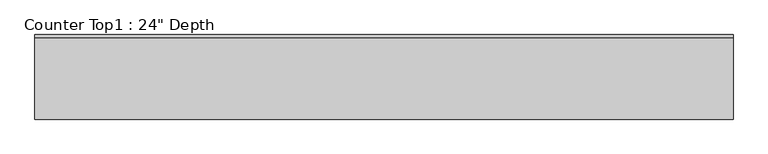
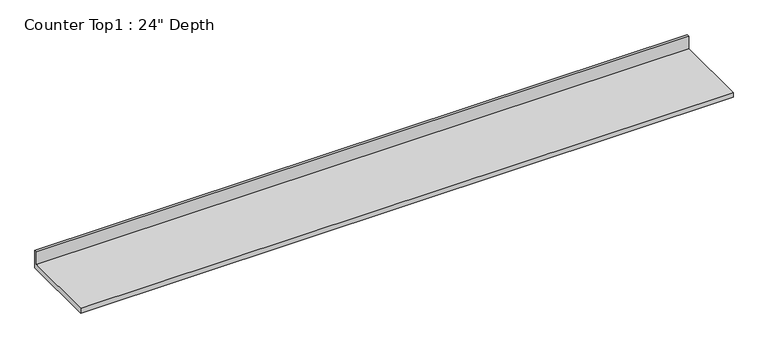
"""IFC4 building model written with IfcOpenShell, lengths in millimetres: furniture geometry."""

from ifc_helpers import new_model, si_unit, frame, origin, place, context, project, spatial, polyline, outline, extrude, source, transform, mapped, element, save


def furniture_27f18ec6(model_context):
    return source(origin(), model_context, "Body", "SweptSolid", [
        extrude(outline(polyline([(0.0, 1016.0), (0.0, 876.3), (-609.6, 876.3), (-609.6, 914.4), (-19.05, 914.4), (-19.05, 1016.0), (0.0, 1016.0)])), frame((-1200.4622951, 0.0, 0.0), z_axis=(1.0, 0.0, 0.0), x_axis=(0.0, 1.0, 0.0)), (0.0, 0.0, 1.0), 5029.2),
    ])


if __name__ == "__main__":
    model = new_model("IFC4")
    model_context = context("Model", 3, world=origin())
    ifc_project = project(units=[si_unit("LENGTHUNIT", "METRE", prefix="MILLI")], contexts=[model_context])
    site = spatial("IfcSite", under=ifc_project)
    building = spatial("IfcBuilding", under=site)
    placement = place(None, origin())
    furniture_shape = furniture_27f18ec6(model_context)
    element("IfcFurniture", 1, ObjectType="Counter Top1 : 24\" Depth", at=placement, inside=building, context=model_context, shape_type="MappedRepresentation", body=[
        mapped(furniture_shape, transform((0.0, 0.0, 0.0), x_axis=(1.0, 0.0, 0.0), y_axis=(0.0, 1.0, 0.0), z_axis=(0.0, 0.0, 1.0))),
    ])
    save(model, "model.ifc")
